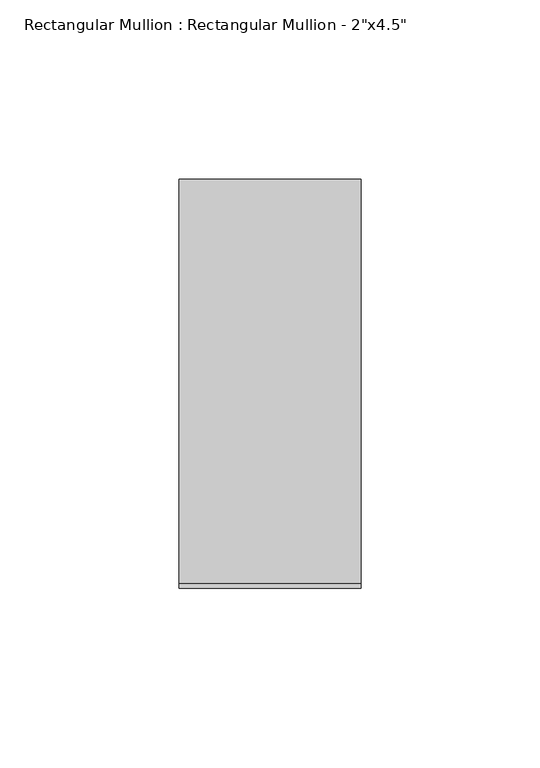
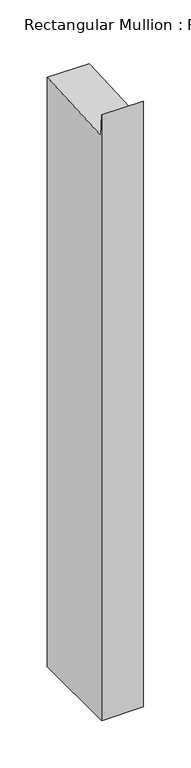
"""IFC4 building model written with IfcOpenShell, lengths in millimetres: member geometry."""

from ifc_helpers import new_model, si_unit, frame, origin, place, context, project, spatial, polyline, outline, extrude, source, transform, mapped, element, save


def member_03cf3492(model_context):
    return source(origin(), model_context, "Body", "SweptSolid", [
        extrude(outline(polyline([(-57.15, 23.8784047), (-55.7174627, -3.0050498), (57.15, 3.0093132), (57.15, -756.3677534), (-57.15, -756.3677534), (-57.15, 23.8784047)])), frame((-50.8, 0.0, 0.0), z_axis=(1.0, 0.0, 0.0), x_axis=(0.0, 1.0, 0.0)), (0.0, 0.0, 1.0), 50.8),
    ])


if __name__ == "__main__":
    model = new_model("IFC4")
    model_context = context("Model", 3, world=origin())
    ifc_project = project(units=[si_unit("LENGTHUNIT", "METRE", prefix="MILLI")], contexts=[model_context])
    site = spatial("IfcSite", under=ifc_project)
    building = spatial("IfcBuilding", under=site)
    placement = place(None, origin())
    member_shape = member_03cf3492(model_context)
    element("IfcMember", 1, ObjectType="Rectangular Mullion : Rectangular Mullion - 2\"x4.5\"", at=placement, inside=building, context=model_context, shape_type="MappedRepresentation", body=[
        mapped(member_shape, transform((0.0, 0.0, 0.0), x_axis=(1.0, 0.0, 0.0), y_axis=(0.0, 1.0, 0.0), z_axis=(0.0, 0.0, 1.0))),
    ])
    save(model, "model.ifc")
